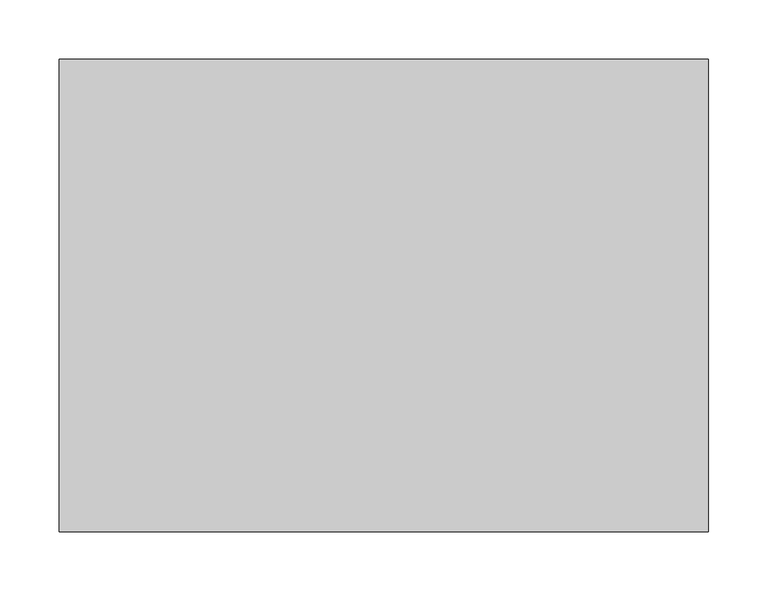
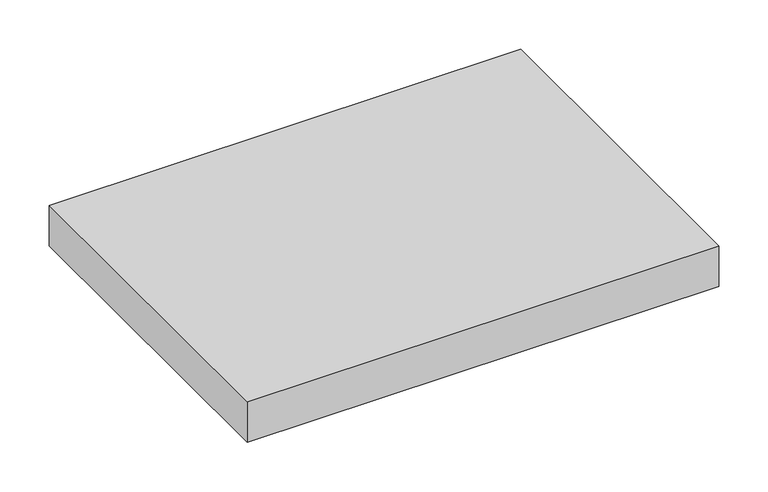
"""IFC4 building model written with IfcOpenShell, lengths in millimetres: proxy geometry."""

from ifc_helpers import new_model, si_unit, origin, origin_with_axes, place, context, project, spatial, polyline, outline, extrude, source, transform, mapped, element, save


def generic_models_320df40f(model_context):
    return source(origin(), model_context, "Body", "SweptSolid", [
        extrude(outline(polyline([(0.0, 400.0), (550.0, 400.0), (550.0, 0.0), (0.0, 0.0), (0.0, 400.0)])), origin_with_axes(), (0.0, 0.0, 1.0), 50.0),
    ])


if __name__ == "__main__":
    model = new_model("IFC4")
    model_context = context("Model", 3, world=origin())
    ifc_project = project(units=[si_unit("LENGTHUNIT", "METRE", prefix="MILLI")], contexts=[model_context])
    site = spatial("IfcSite", under=ifc_project)
    building = spatial("IfcBuilding", under=site)
    placement = place(None, origin())
    generic_models_shape = generic_models_320df40f(model_context)
    element("IfcBuildingElementProxy", 1, Name="Generic Models", at=placement, inside=building, context=model_context, shape_type="MappedRepresentation", body=[
        mapped(generic_models_shape, transform((0.0, 0.0, 0.0), x_axis=(1.0, 0.0, 0.0), y_axis=(0.0, 1.0, 0.0), z_axis=(0.0, 0.0, 1.0))),
    ])
    save(model, "model.ifc")
